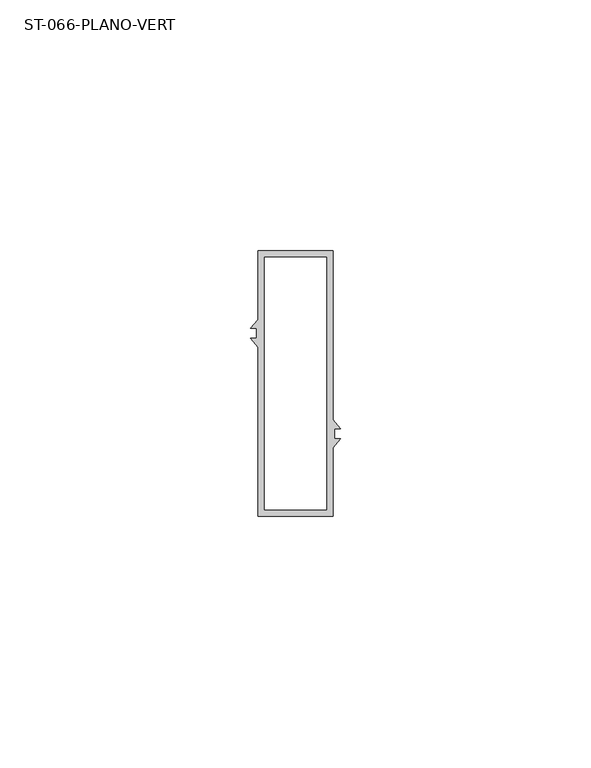
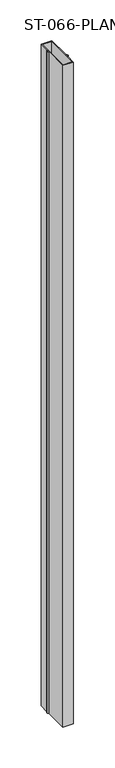
"""IFC4 building model written with IfcOpenShell, lengths in millimetres: plate geometry, ST-066-PLANO-VERT."""

import ifcopenshell
import ifcopenshell.guid

model = None  # the IFC model being written
_history = None  # IfcOwnerHistory: only IFC2X3 demands one
_inside = {}  # id of a spatial element -> (the spatial element, [elements in it])
_under = {}  # id of a project, library or spatial element -> (it, [spatial elements below it])
_declared = {}  # id of a project -> (the project, [libraries it declares])
_typed = {}  # id of a type object -> (the type object, [elements of that type])
_made_of = {}  # id of a material, layer set ... -> (it, [elements and type objects made of it])


def new_model(schema):
    """Start an empty IFC model of exactly this schema.

    Asked for "IFC4X3", IfcOpenShell would pick the latest addendum, in which some entities
    have other attributes; the version numbers below select the first issue.
    IFC2X3 requires an IfcOwnerHistory on every rooted entity: one is made here for all.
    """
    global model, _history
    if schema == "IFC4X3":
        model = ifcopenshell.file(schema_version=(4, 3, 0, 0))
    else:
        model = ifcopenshell.file(schema=schema)
    _inside.clear()
    _under.clear()
    _declared.clear()
    _typed.clear()
    _made_of.clear()
    _history = None
    if model.schema == "IFC2X3":
        org = make("IfcOrganization", Name="unknown")
        user = make(
            "IfcPersonAndOrganization",
            ThePerson=make("IfcPerson", FamilyName="unknown"),
            TheOrganization=org,
        )
        app = make(
            "IfcApplication",
            ApplicationDeveloper=org,
            Version="unknown",
            ApplicationFullName="unknown",
            ApplicationIdentifier="unknown",
        )
        _history = make(
            "IfcOwnerHistory",
            OwningUser=user,
            OwningApplication=app,
            ChangeAction="ADDED",
            CreationDate=0,
        )
    return model


def make(cls, **values):
    """One entity of the class cls with the attributes given. An attribute that is None is left unset."""
    return model.create_entity(
        cls, **{name: value for name, value in values.items() if value is not None}
    )


def rooted(cls, **values):
    """An entity with a GlobalId (a new one), such as an element, a storey or a relation."""
    return make(cls, GlobalId=ifcopenshell.guid.new(), OwnerHistory=_history, **values)


def si_unit(unit_type, name, prefix=None):
    """IfcSIUnit, for example si_unit("LENGTHUNIT", "METRE", prefix="MILLI")."""
    return make("IfcSIUnit", UnitType=unit_type, Prefix=prefix, Name=name)


def assignment(units):
    """IfcUnitAssignment: the units of a project."""
    return None if units is None else make("IfcUnitAssignment", Units=units)


def point(xyz):
    """IfcCartesianPoint."""
    return None if xyz is None else make("IfcCartesianPoint", Coordinates=xyz)


def direction(xyz):
    """IfcDirection."""
    return None if xyz is None else make("IfcDirection", DirectionRatios=xyz)


def frame(location, z_axis=None, x_axis=None):
    """IfcAxis2Placement3D, a coordinate frame: its origin and axes. An axis left out is left unset."""
    return make(
        "IfcAxis2Placement3D",
        Location=point(location),
        Axis=direction(z_axis),
        RefDirection=direction(x_axis),
    )


def origin():
    """The frame at (0, 0, 0) with its axes left unset."""
    return frame((0.0, 0.0, 0.0))


def origin_with_axes():
    """The frame at (0, 0, 0) with the z axis (0, 0, 1) and the x axis (1, 0, 0) written out."""
    return frame((0.0, 0.0, 0.0), z_axis=(0.0, 0.0, 1.0), x_axis=(1.0, 0.0, 0.0))


def place(relative_to, where):
    """IfcLocalPlacement: puts the frame where relative to a parent placement (None: the world)."""
    return make(
        "IfcLocalPlacement", PlacementRelTo=relative_to, RelativePlacement=where
    )


def context(
    kind, dimensions, precision=None, world=None, true_north=None, identifier=None
):
    """IfcGeometricRepresentationContext, for example the 3D "Model" context."""
    return make(
        "IfcGeometricRepresentationContext",
        ContextIdentifier=identifier,
        ContextType=kind,
        CoordinateSpaceDimension=dimensions,
        Precision=precision,
        WorldCoordinateSystem=world,
        TrueNorth=true_north,
    )


def project(units=None, contexts=None):
    """IfcProject with its units and contexts."""
    return rooted(
        "IfcProject",
        Name="project",
        RepresentationContexts=contexts,
        UnitsInContext=assignment(units),
    )


def spatial(cls, under=None, at=None, **own):
    """A site, building, storey or space (cls), placed at a placement, below another one or the project."""
    s = rooted(cls, ObjectPlacement=at, **own)
    if under is not None:
        _under.setdefault(under.id(), (under, []))[1].append(s)
    return s


def polyline(points):
    """IfcPolyline through the points."""
    return make("IfcPolyline", Points=[point(p) for p in points])


def outline(outer, holes=None, kind="AREA"):
    """IfcArbitraryClosedProfileDef: a profile drawn as a closed curve; with holes, ...WithVoids."""
    if holes is None:
        return make("IfcArbitraryClosedProfileDef", ProfileType=kind, OuterCurve=outer)
    return make(
        "IfcArbitraryProfileDefWithVoids",
        ProfileType=kind,
        OuterCurve=outer,
        InnerCurves=holes,
    )


def extrude(swept, where, along, depth):
    """IfcExtrudedAreaSolid: the profile swept, set in the frame where, extruded along a direction by depth."""
    return make(
        "IfcExtrudedAreaSolid",
        SweptArea=swept,
        Position=where,
        ExtrudedDirection=direction(along),
        Depth=depth,
    )


def shape(context_of_items, identifier, shape_type, items):
    """IfcShapeRepresentation: the items that make up one representation, for example the "Body"."""
    return make(
        "IfcShapeRepresentation",
        ContextOfItems=context_of_items,
        RepresentationIdentifier=identifier,
        RepresentationType=shape_type,
        Items=items,
    )


def source(mapping_origin, context_of_items, identifier, shape_type, items):
    """IfcRepresentationMap: a shape defined once, which mapped items show again and again."""
    return make(
        "IfcRepresentationMap",
        MappingOrigin=mapping_origin,
        MappedRepresentation=shape(context_of_items, identifier, shape_type, items),
    )


def transform(
    local_origin,
    x_axis=None,
    y_axis=None,
    z_axis=None,
    scale=None,
    scale2=None,
    scale3=None,
    uniform=True,
):
    """IfcCartesianTransformationOperator3D, or its non-uniform kind. x_axis, y_axis, z_axis: its Axis1, 2, 3."""
    if uniform:
        return make(
            "IfcCartesianTransformationOperator3D",
            Axis1=direction(x_axis),
            Axis2=direction(y_axis),
            LocalOrigin=point(local_origin),
            Scale=scale,
            Axis3=direction(z_axis),
        )
    return make(
        "IfcCartesianTransformationOperator3DnonUniform",
        Axis1=direction(x_axis),
        Axis2=direction(y_axis),
        LocalOrigin=point(local_origin),
        Scale=scale,
        Axis3=direction(z_axis),
        Scale2=scale2,
        Scale3=scale3,
    )


def mapped(mapping_source, mapping_target):
    """IfcMappedItem: shows the shape of a source again, moved by a transform."""
    return make(
        "IfcMappedItem", MappingSource=mapping_source, MappingTarget=mapping_target
    )


def made_of(thing, what):
    """Note that an element or type object is made of a material, layer set ...; save() writes the relation."""
    if what is not None:
        _made_of.setdefault(what.id(), (what, []))[1].append(thing)
    return thing


def element(
    cls,
    number,
    at=None,
    inside=None,
    cuts=None,
    type_object=None,
    material=None,
    context=None,
    identifier="Body",
    shape_type=None,
    held_by="IfcProductDefinitionShape",
    body=None,
    shapes=None,
    **own,
):
    """One element of the class cls, such as IfcWall. Its Tag is "e" and its number.

    at: its placement. inside: the storey or other place that contains it. cuts: it is an
    opening in that element (IfcRelVoidsElement). A single representation is given by context,
    identifier, shape_type and body (its items); several are given by shapes. held_by: the class
    of the entity that holds the representations. save() writes the other relations.
    """
    e = rooted(cls, Tag="e%d" % number, ObjectPlacement=at, **own)
    if body is not None:
        shapes = [shape(context, identifier, shape_type, body)]
    if shapes is not None:
        e.Representation = make(held_by, Representations=shapes)
    if inside is not None:
        _inside.setdefault(inside.id(), (inside, []))[1].append(e)
    if cuts is not None:
        rooted(
            "IfcRelVoidsElement", RelatingBuildingElement=cuts, RelatedOpeningElement=e
        )
    if type_object is not None:
        _typed.setdefault(type_object.id(), (type_object, []))[1].append(e)
    return made_of(e, material)


def aggregate(whole, parts):
    """IfcRelAggregates: a whole, such as a stair, and the parts it consists of."""
    return rooted("IfcRelAggregates", RelatingObject=whole, RelatedObjects=parts)


def save(model, path):
    """Write the relations noted so far, then the file.

    IfcRelAggregates (storeys below a building ...), IfcRelContainedInSpatialStructure (elements
    in a storey), IfcRelDefinesByType, IfcRelAssociatesMaterial and IfcRelDeclares: one each for
    every whole, place, type object, material and project.
    """
    for whole, parts in _under.values():
        aggregate(whole, parts)
    for where, things in _inside.values():
        rooted(
            "IfcRelContainedInSpatialStructure",
            RelatedElements=things,
            RelatingStructure=where,
        )
    for kind, things in _typed.values():
        rooted("IfcRelDefinesByType", RelatedObjects=things, RelatingType=kind)
    for what, things in _made_of.values():
        rooted("IfcRelAssociatesMaterial", RelatedObjects=things, RelatingMaterial=what)
    for by, libraries in _declared.values():
        rooted("IfcRelDeclares", RelatingContext=by, RelatedDefinitions=libraries)
    model.write(path)


def st_066_plano_vert_90ed4b85(model_context):
    return source(origin(), model_context, "Body", "SweptSolid", [
        extrude(outline(polyline([(-7.5226462, 0.0), (-22.5226462, 0.0), (-22.5226462, 33.739354), (-24.0000024, 35.4999985), (-22.771101, 35.4999985), (-22.771101, 37.5000015), (-23.9999998, 37.5000015), (-22.5226462, 39.260643), (-22.5226462, 53.0), (-7.5226462, 53.0), (-7.5226462, 19.260646), (-6.0452901, 17.5000015), (-7.2741915, 17.5000015), (-7.2741915, 15.4999985), (-6.0452926, 15.4999985), (-7.5226462, 13.739357), (-7.5226462, 0.0)]), holes=[polyline([(-21.2226462, 51.7), (-21.2226462, 1.3), (-8.8226462, 1.3), (-8.8226462, 51.7), (-21.2226462, 51.7)])]), origin_with_axes(), (0.0, 0.0, 1.0), 1000.0),
    ])


if __name__ == "__main__":
    model = new_model("IFC4")
    model_context = context("Model", 3, world=origin())
    ifc_project = project(units=[si_unit("LENGTHUNIT", "METRE", prefix="MILLI")], contexts=[model_context])
    site = spatial("IfcSite", under=ifc_project)
    building = spatial("IfcBuilding", under=site)
    placement = place(None, origin())
    st_066_plano_vert_shape = st_066_plano_vert_90ed4b85(model_context)
    element("IfcPlate", 1, ObjectType="ST-066-PLANO-VERT", at=placement, inside=building, context=model_context, shape_type="MappedRepresentation", body=[
        mapped(st_066_plano_vert_shape, transform((0.0, 0.0, 0.0), x_axis=(1.0, 0.0, 0.0), y_axis=(0.0, 1.0, 0.0), z_axis=(0.0, 0.0, 1.0))),
    ])
    save(model, "model.ifc")
